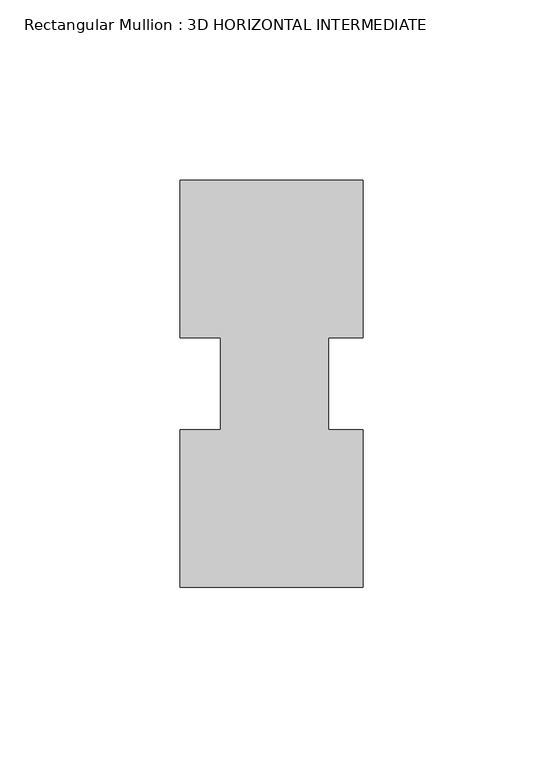
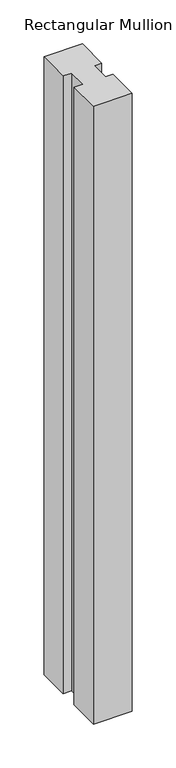
"""IFC4 building model written with IfcOpenShell, lengths in millimetres: member geometry, Rectangular Mullion : 3D HORIZONTAL INTERMEDIATE."""

from ifc_helpers import new_model, si_unit, frame, origin, place, context, project, spatial, polyline, outline, extrude, source, transform, mapped, element, save


def rectangular_mullion_3d_horizontal_intermediate_f625b2a8(model_context):
    return source(origin(), model_context, "Body", "SweptSolid", [
        extrude(outline(polyline([(24.4527147, 12.7295207), (14.9404146, 12.7295207), (14.9404146, -12.7581776), (24.4527147, -12.7581776), (24.4527147, -56.5435115), (-26.3472853, -56.5435115), (-26.3472853, -12.7581776), (-14.9939298, -12.7581776), (-14.9939298, 12.7295207), (-26.3282353, 12.7295207), (-26.3282353, 56.5372885), (24.4527147, 56.5372885), (24.4527147, 12.7295207)])), frame((0.0, 0.0, -857.25), z_axis=(0.0, 0.0, 1.0), x_axis=(1.0, 0.0, 0.0)), (0.0, 0.0, 1.0), 857.25),
    ])


if __name__ == "__main__":
    model = new_model("IFC4")
    model_context = context("Model", 3, world=origin())
    ifc_project = project(units=[si_unit("LENGTHUNIT", "METRE", prefix="MILLI")], contexts=[model_context])
    site = spatial("IfcSite", under=ifc_project)
    building = spatial("IfcBuilding", under=site)
    placement = place(None, origin())
    rectangular_mullion_3d_horizontal_intermediate_shape = rectangular_mullion_3d_horizontal_intermediate_f625b2a8(model_context)
    element("IfcMember", 1, ObjectType="Rectangular Mullion : 3D HORIZONTAL INTERMEDIATE", at=placement, inside=building, context=model_context, shape_type="MappedRepresentation", body=[
        mapped(rectangular_mullion_3d_horizontal_intermediate_shape, transform((0.0, 0.0, 0.0), x_axis=(1.0, 0.0, 0.0), y_axis=(0.0, 1.0, 0.0), z_axis=(0.0, 0.0, 1.0))),
    ])
    save(model, "model.ifc")
